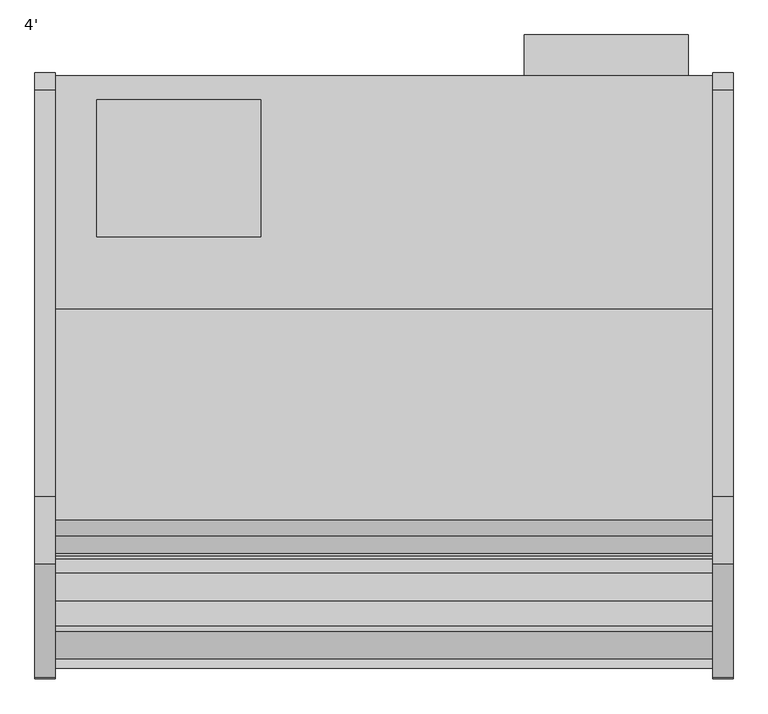
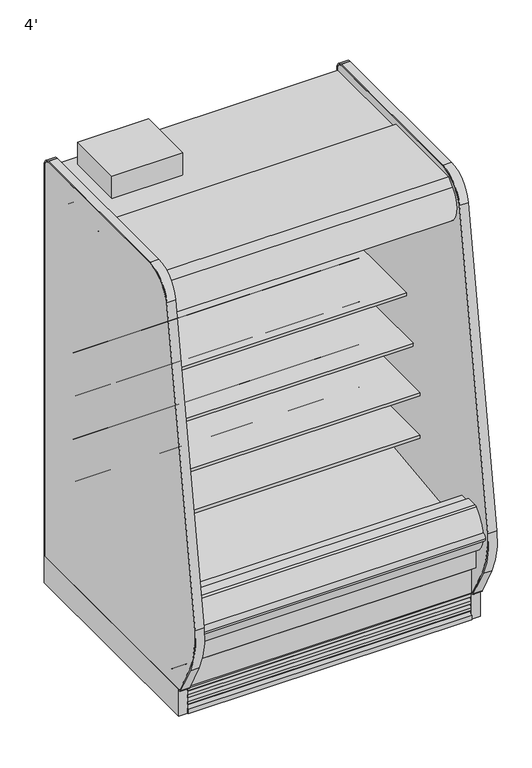
"""IFC4 building model written with IfcOpenShell, lengths in millimetres: proxy geometry, 4'."""

from ifc_helpers import new_model, si_unit, point, frame, frame_2d, origin, origin_with_axes, place, context, project, spatial, polyline, circle_curve, trimmed, segment, composite_curve, outline, extrude, faceted_brep, source, transform, mapped, element, save
from ifc_brep_helpers import plane_surface, revolved_surface, advanced_brep


def proxy_4_210bfad1(model_context):
    return source(origin(), model_context, "Body", "SolidModel", [
        extrude(outline(polyline([(1174.4493176, -325.3089273), (1174.4493176, -401.5089273), (869.9920708, -401.5089273), (869.9920708, -325.3089273), (1174.4493176, -325.3089273)])), frame((0.0, 0.0, 249.9360001), z_axis=(0.0, 0.0, 1.0), x_axis=(1.0, 0.0, 0.0)), (0.0, 0.0, 1.0), 1473.2),
        extrude(outline(polyline([(381.0, -445.9589273), (381.0, -699.9589273), (76.2, -699.9589273), (76.2, -445.9589273), (381.0, -445.9589273)])), frame((0.0, 0.0, 1887.6264001), z_axis=(0.0, 0.0, 1.0), x_axis=(1.0, 0.0, 0.0)), (0.0, 0.0, 1.0), 101.6),
        extrude(outline(composite_curve([segment(trimmed(circle_curve(frame_2d((971.5390223, -973.0089273)), 9.525), [point((962.0140223, -973.0089273))], [point((981.0640223, -973.0089273))], False, "CARTESIAN"), True, "CONTINUOUS"), segment(trimmed(circle_curve(frame_2d((971.5390223, -973.0089273)), 9.525), [point((981.0640223, -973.0089273))], [point((962.0140223, -973.0089273))], False, "CARTESIAN"), True, "CONTINUOUS")], self_intersect=False)), frame((0.0, 0.0, 66.7090149), z_axis=(0.0, 0.0, 1.0), x_axis=(1.0, 0.0, 0.0)), (0.0, 0.0, 1.0), 57.1159851),
        extrude(outline(composite_curve([segment(trimmed(circle_curve(frame_2d((1022.3609777, -973.0089273)), 12.7), [point((1009.6609777, -973.0089273))], [point((1035.0609777, -973.0089273))], False, "CARTESIAN"), True, "CONTINUOUS"), segment(trimmed(circle_curve(frame_2d((1022.3609777, -973.0089273)), 12.7), [point((1035.0609777, -973.0089273))], [point((1009.6609777, -973.0089273))], False, "CARTESIAN"), True, "CONTINUOUS")], self_intersect=False)), frame((0.0, 0.0, 66.7090149), z_axis=(0.0, 0.0, 1.0), x_axis=(1.0, 0.0, 0.0)), (0.0, 0.0, 1.0), 57.1159851),
        extrude(outline(polyline([(-755.1545651, 1783.4415628), (-755.1545651, 1781.6658555), (-767.0608151, 1781.6658555), (-802.7795651, 1757.8533555), (-802.7795651, 1781.6658555), (-823.4170651, 1781.6658555), (-823.4170651, 1723.0879735), (-820.1404345, 1706.9586386), (-821.6961576, 1706.6425977), (-825.0045651, 1722.9283555), (-825.0045651, 1783.4415628), (-755.1545651, 1783.4415628)])), frame((0.0, 0.0, 0.0), z_axis=(1.0, 0.0, 0.0), x_axis=(0.0, 1.0, 0.0)), (0.0, 0.0, 1.0), 1219.2),
        extrude(outline(composite_curve([segment(trimmed(circle_curve(frame_2d((-775.117495, 1753.94528)), 14.2875), [point((-789.404995, 1753.94528))], [point((-760.829995, 1753.94528))], False, "CARTESIAN"), True, "CONTINUOUS"), segment(trimmed(circle_curve(frame_2d((-775.117495, 1753.94528)), 14.2875), [point((-760.829995, 1753.94528))], [point((-789.404995, 1753.94528))], False, "CARTESIAN"), True, "CONTINUOUS")], self_intersect=False)), frame((0.0, 0.0, 0.0), z_axis=(1.0, 0.0, 0.0), x_axis=(0.0, 1.0, 0.0)), (0.0, 0.0, 1.0), 1219.2),
        extrude(outline(composite_curve([segment(polyline([(-504.9331995, 1188.9777893), (-504.9331995, 1113.876763), (-528.313746, 1113.876763)]), True, "CONTINUOUS"), segment(trimmed(circle_curve(frame_2d((-528.7455821, 1139.2730918)), 25.4), [point((-528.313746, 1113.876763))], [point((-544.7229383, 1119.5276091))], False, "CARTESIAN"), True, "CONTINUOUS"), segment(polyline([(-544.7229383, 1119.5276091), (-562.5749995, 1133.9728746)]), True, "CONTINUOUS"), segment(trimmed(circle_curve(frame_2d((-602.5183901, 1084.6091679)), 63.5), [point((-562.5749995, 1133.9728746))], [point((-594.6205089, 1147.6160998))], True, "CARTESIAN"), True, "CONTINUOUS"), segment(polyline([(-594.6205089, 1147.6160998), (-869.1842482, 1171.3132372), (-870.6730247, 1174.7537893), (-911.2738035, 1174.7537893), (-911.2738035, 1188.9777893), (-504.9331995, 1188.9777893)]), True, "CONTINUOUS")], self_intersect=False)), frame((0.0, 0.0, 0.0), z_axis=(1.0, 0.0, 0.0), x_axis=(0.0, 1.0, 0.0)), (0.0, 0.0, 1.0), 1219.2),
        extrude(outline(composite_curve([segment(polyline([(-504.9331995, 990.7659479), (-504.9331995, 915.6649215), (-528.313746, 915.6649215)]), True, "CONTINUOUS"), segment(trimmed(circle_curve(frame_2d((-528.7455821, 941.0612503)), 25.4), [point((-528.313746, 915.6649215))], [point((-544.7229383, 921.3157676))], False, "CARTESIAN"), True, "CONTINUOUS"), segment(polyline([(-544.7229383, 921.3157676), (-562.5749995, 935.7610332)]), True, "CONTINUOUS"), segment(trimmed(circle_curve(frame_2d((-602.5183901, 886.3973264)), 63.5), [point((-562.5749995, 935.7610332))], [point((-594.6205089, 949.4042583))], True, "CARTESIAN"), True, "CONTINUOUS"), segment(polyline([(-594.6205089, 949.4042583), (-869.1842482, 973.1013958), (-870.6730247, 976.5419479), (-962.1331995, 976.5419479), (-962.1331995, 990.7659479), (-504.9331995, 990.7659479)]), True, "CONTINUOUS")], self_intersect=False)), frame((0.0, 0.0, 0.0), z_axis=(1.0, 0.0, 0.0), x_axis=(0.0, 1.0, 0.0)), (0.0, 0.0, 1.0), 1219.2),
        extrude(outline(composite_curve([segment(trimmed(circle_curve(frame_2d((-1161.4667676, 1760.0428978)), 14.2875), [point((-1175.7542676, 1760.0428978))], [point((-1147.1792676, 1760.0428978))], False, "CARTESIAN"), True, "CONTINUOUS"), segment(trimmed(circle_curve(frame_2d((-1161.4667676, 1760.0428978)), 14.2875), [point((-1147.1792676, 1760.0428978))], [point((-1175.7542676, 1760.0428978))], False, "CARTESIAN"), True, "CONTINUOUS")], self_intersect=False)), frame((0.0, 0.0, 0.0), z_axis=(1.0, 0.0, 0.0), x_axis=(0.0, 1.0, 0.0)), (0.0, 0.0, 1.0), 1219.2),
        extrude(outline(composite_curve([segment(trimmed(circle_curve(frame_2d((-1206.5480128, 1760.5691153)), 14.2875), [point((-1220.8355128, 1760.5691153))], [point((-1192.2605128, 1760.5691153))], False, "CARTESIAN"), True, "CONTINUOUS"), segment(trimmed(circle_curve(frame_2d((-1206.5480128, 1760.5691153)), 14.2875), [point((-1192.2605128, 1760.5691153))], [point((-1220.8355128, 1760.5691153))], False, "CARTESIAN"), True, "CONTINUOUS")], self_intersect=False)), frame((0.0, 0.0, 0.0), z_axis=(1.0, 0.0, 0.0), x_axis=(0.0, 1.0, 0.0)), (0.0, 0.0, 1.0), 1219.2),
        extrude(outline(polyline([(744.7751963, -1346.7911816), (435.3523963, -1346.7911816), (435.3523963, -1249.5865659), (744.7751963, -1249.5865659), (744.7751963, -1346.7911816)])), frame((0.0, 0.0, 53.2186364), z_axis=(0.0, 0.0, 1.0), x_axis=(1.0, 0.0, 0.0)), (0.0, 0.0, 1.0), 9.8914),
        faceted_brep([(1219.2, -1207.9589273, 130.175), (1219.2, -1275.0830824, 130.175), (1219.2, -1376.2139578, 211.8249999), (1219.2, -1376.2139578, 10.9768116), (1219.2, -1207.9589273, 10.9768116), (0.0, -1207.9589273, 130.175), (0.0, -1207.9589273, 10.9768116), (0.0, -1376.2139578, 10.9768116), (0.0, -1376.2139578, 211.8249999), (0.0, -1275.0830824, 130.175), (744.7751963, -1346.7911816, 10.9768116), (744.7751963, -1249.5865659, 10.9768116), (435.3523963, -1249.5865659, 10.9768116), (435.3523963, -1346.7911816, 10.9768116), (744.7751963, -1346.7911816, 63.1100364), (435.3523963, -1346.7911816, 63.1100364), (435.3523963, -1249.5865659, 63.1100364), (744.7751963, -1249.5865659, 63.1100364)], [[[0, 1, 2, 3, 4]], [[5, 6, 7, 8, 9]], [[1, 0, 5, 9]], [[2, 1, 9, 8]], [[3, 2, 8, 7]], [[4, 3, 7, 6], [10, 11, 12, 13]], [[0, 4, 6, 5]], [[14, 15, 16, 17]], [[14, 17, 11, 10]], [[17, 16, 12, 11]], [[16, 15, 13, 12]], [[15, 14, 10, 13]]]),
        extrude(outline(composite_curve([segment(trimmed(circle_curve(frame_2d((368.3, 1139.6090336)), 12.7), [point((368.3, 1152.3090336))], [point((368.3, 1126.9090336))], False, "CARTESIAN"), True, "CONTINUOUS"), segment(trimmed(circle_curve(frame_2d((368.3, 1139.6090336)), 12.7), [point((368.3, 1126.9090336))], [point((368.3, 1152.3090336))], False, "CARTESIAN"), True, "CONTINUOUS")], self_intersect=False)), frame((0.0, -447.5561252, 0.0), z_axis=(0.0, 1.0, 0.0), x_axis=(0.0, 0.0, 1.0)), (0.0, 0.0, 1.0), 52.3971979),
        extrude(outline(composite_curve([segment(trimmed(circle_curve(frame_2d((368.3, 1101.1972115)), 9.525), [point((368.3, 1110.7222115))], [point((368.3, 1091.6722115))], False, "CARTESIAN"), True, "CONTINUOUS"), segment(trimmed(circle_curve(frame_2d((368.3, 1101.1972115)), 9.525), [point((368.3, 1091.6722115))], [point((368.3, 1110.7222115))], False, "CARTESIAN"), True, "CONTINUOUS")], self_intersect=False)), frame((0.0, -447.5561252, 0.0), z_axis=(0.0, 1.0, 0.0), x_axis=(0.0, 0.0, 1.0)), (0.0, 0.0, 1.0), 52.3971979),
        extrude(outline(composite_curve([segment(polyline([(-451.7851762, 1837.4360001), (-451.7851762, 404.745884), (-504.9331995, 404.745884), (-504.9331995, 1758.0415628)]), True, "CONTINUOUS"), segment(trimmed(circle_curve(frame_2d((-530.3331995, 1758.0415628)), 25.4), [point((-504.9331995, 1758.0415628))], [point((-530.3331995, 1783.4415628))], True, "CARTESIAN"), True, "CONTINUOUS"), segment(polyline([(-530.3331995, 1783.4415628), (-996.5139611, 1783.4415628), (-996.5139611, 1776.8817932), (-1098.1139599, 1776.8817932), (-1098.1139599, 1837.4360001), (-451.7851762, 1837.4360001)]), True, "CONTINUOUS")], self_intersect=False)), frame((0.0, 0.0, 0.0), z_axis=(1.0, 0.0, 0.0), x_axis=(0.0, 1.0, 0.0)), (0.0, 0.0, 1.0), 1219.2),
        advanced_brep(
        [(1219.2, -1428.7889874, 391.24255), (1219.2, -1428.7889874, 254.2724833), (1219.2, -1275.0830824, 130.175), (1219.2, -401.5089273, 130.175), (1219.2, -401.5089273, 1887.6264001), (1219.2, -1139.2416873, 1887.6264001), (1219.2, -1139.2416873, 1837.4360001), (1219.2, -451.7851762, 1837.4360001), (1219.2, -451.7851762, 363.9695251), (1219.2, -599.5014929, 211.662363), (1219.2, -1043.5931205, 195.6779213), (1219.2, -1096.7050237, 157.095884), (1219.2, -1163.5210307, 157.095884), (1219.2, -1221.5656168, 189.2720563), (1219.2, -1379.2843872, 341.5792153), (1219.2, -1379.2843872, 391.24255), (0.0, -1428.7889874, 391.24255), (0.0, -1379.2843872, 391.24255), (0.0, -1379.2843872, 341.5792153), (0.0, -1221.5656168, 189.2720563), (0.0, -1163.5210307, 157.095884), (0.0, -1096.7050237, 157.095884), (0.0, -1043.5931205, 195.6779213), (0.0, -599.5014929, 211.662363), (0.0, -451.7851762, 363.9695251), (0.0, -451.7851762, 1837.4360001), (0.0, -1139.2416873, 1837.4360001), (0.0, -1139.2416873, 1887.6264001), (0.0, -401.5089273, 1887.6264001), (0.0, -401.5089273, 130.175), (0.0, -1275.0830824, 130.175), (0.0, -1428.7889874, 254.2724833), (1117.6, -401.5089273, 317.5), (1117.6, -401.5089273, 419.1), (1117.6, -447.5561252, 317.5), (1117.6, -447.5561252, 419.1)],
        [
            (0, 1),
            (1, 2),
            (2, 3),
            (3, 4),
            (4, 5),
            (5, 6),
            (6, 7),
            (7, 8),
            (8, 9, circle_curve(frame((1219.2, -605.0132276, 364.7934683), z_axis=(-1.0, 0.0, 0.0), x_axis=(0.0, 1.0, 0.0)), 153.2302667)),
            (9, 10),
            (10, 11),
            (11, 12),
            (12, 13),
            (13, 14, circle_curve(frame((1219.2, -1226.8843872, 341.5792153), z_axis=(-1.0, 0.0, 0.0), x_axis=(0.0, 1.0, 0.0)), 152.4)),
            (14, 15),
            (15, 0),
            (16, 17),
            (17, 18),
            (18, 19, circle_curve(frame((0.0, -1226.8843872, 341.5792153), z_axis=(1.0, 0.0, 0.0), x_axis=(0.0, 1.0, 0.0)), 152.4)),
            (19, 20),
            (20, 21),
            (21, 22),
            (22, 23),
            (23, 24, circle_curve(frame((0.0, -605.0132276, 364.7934683), z_axis=(1.0, 0.0, 0.0), x_axis=(0.0, 1.0, 0.0)), 153.2302667)),
            (24, 25),
            (25, 26),
            (26, 27),
            (27, 28),
            (28, 29),
            (29, 30),
            (30, 31),
            (31, 16),
            (0, 16),
            (31, 1),
            (30, 2),
            (29, 3),
            (28, 4),
            (32, 33, circle_curve(frame((1117.6, -401.5089273, 368.3), z_axis=(0.0, -1.0, 0.0), x_axis=(0.0, 0.0, 1.0)), 50.8)),
            (33, 32, circle_curve(frame((1117.6, -401.5089273, 368.3), z_axis=(0.0, -1.0, 0.0), x_axis=(0.0, 0.0, 1.0)), 50.8)),
            (27, 5),
            (26, 6),
            (25, 7),
            (24, 8),
            (23, 9),
            (22, 10),
            (21, 11),
            (20, 12),
            (19, 13),
            (18, 14),
            (17, 15),
            (34, 35, circle_curve(frame((1117.6, -447.5561252, 368.3), z_axis=(0.0, 1.0, 0.0), x_axis=(0.0, 0.0, 1.0)), 50.8)),
            (35, 34, circle_curve(frame((1117.6, -447.5561252, 368.3), z_axis=(0.0, 1.0, 0.0), x_axis=(0.0, 0.0, 1.0)), 50.8)),
            (35, 33),
            (32, 34),
        ],
        [
            plane_surface(frame((1219.2, -1428.7889874, 254.2724833), z_axis=(1.0, 0.0, 0.0), x_axis=(0.0, 0.0, -1.0))),
            plane_surface(frame((0.0, -1428.7889874, 254.2724833), z_axis=(-1.0, 0.0, 0.0), x_axis=(0.0, 0.0, 1.0))),
            plane_surface(frame((1219.2, -1428.7889874, 391.24255), z_axis=(0.0, -1.0, 0.0), x_axis=(-1.0, 0.0, 0.0))),
            plane_surface(frame((1219.2, -1428.7889874, 254.2724833), z_axis=(0.0, -0.6281851642637378, -0.7780638787393622), x_axis=(-1.0, 0.0, 0.0))),
            plane_surface(frame((1219.2, -1275.0830824, 130.175), z_axis=(0.0, 0.0, -1.0), x_axis=(-1.0, 0.0, 0.0))),
            plane_surface(frame((1219.2, -401.5089273, 130.175), z_axis=(0.0, 1.0, 0.0), x_axis=(-1.0, 0.0, 0.0))),
            plane_surface(frame((1219.2, -401.5089273, 1887.6264001), z_axis=(0.0, 0.0, 1.0), x_axis=(-1.0, 0.0, 0.0))),
            plane_surface(frame((1219.2, -1139.2416873, 1887.6264001), z_axis=(0.0, -1.0, 0.0), x_axis=(-1.0, 0.0, 0.0))),
            plane_surface(frame((1219.2, -1139.2416873, 1837.4360001), z_axis=(0.0, 0.0, -1.0), x_axis=(-1.0, 0.0, 0.0))),
            plane_surface(frame((1219.2, -451.7851762, 1837.4360001), z_axis=(0.0, -1.0, 0.0), x_axis=(-1.0, 0.0, 0.0))),
            revolved_surface(polyline([(0.0, -451.78296090000003, 364.7934683), (1219.2, -451.78296090000003, 364.7934683)]), (0.0, -605.0132276, 364.7934683), (-1.0, 0.0, 0.0)),
            plane_surface(frame((1219.2, -599.5014929, 211.662363), z_axis=(0.0, -0.035970274152171335, 0.9993528602938092), x_axis=(-1.0, 0.0, 0.0))),
            plane_surface(frame((1219.2, -1043.5931205, 195.6779213), z_axis=(0.0, -0.5877252382160976, 0.8090605937529224), x_axis=(-1.0, 0.0, 0.0))),
            plane_surface(frame((1219.2, -1096.7050237, 157.095884), z_axis=(0.0, 0.0, 1.0), x_axis=(-1.0, 0.0, 0.0))),
            plane_surface(frame((1219.2, -1163.5210307, 157.095884), z_axis=(0.0, 0.48482728759131516, 0.8746099137368889), x_axis=(-1.0, 0.0, 0.0))),
            revolved_surface(polyline([(0.0, -1074.4843872, 341.5792153), (1219.2, -1074.4843872, 341.5792153)]), (0.0, -1226.8843872, 341.5792153), (-1.0, 0.0, 0.0)),
            plane_surface(frame((1219.2, -1379.2843872, 341.5792153), z_axis=(0.0, 1.0, 0.0), x_axis=(-1.0, 0.0, 0.0))),
            plane_surface(frame((1219.2, -1379.2843872, 391.24255), z_axis=(0.0, 0.0, 1.0), x_axis=(-1.0, 0.0, 0.0))),
            plane_surface(frame((1117.6, -447.5561252, 419.1), z_axis=(0.0, 1.0, 0.0), x_axis=(-1.0, 0.0, 0.0))),
            revolved_surface(polyline([(1117.6, -447.5561252, 419.1), (1117.6, -401.5089273, 419.1)]), (1117.6, -401.5089273, 368.3), (0.0, -1.0, 0.0)),
        ],
        [
            (0, [[1, 2, 3, 4, 5, 6, 7, 8, 9, 10, 11, 12, 13, 14, 15, 16]]),
            (1, [[17, 18, 19, 20, 21, 22, 23, 24, 25, 26, 27, 28, 29, 30, 31, 32]]),
            (2, [[-1, 33, -32, 34]]),
            (3, [[-2, -34, -31, 35]]),
            (4, [[-3, -35, -30, 36]]),
            (5, [[-4, -36, -29, 37], [38, 39]]),
            (6, [[-5, -37, -28, 40]]),
            (7, [[-6, -40, -27, 41]]),
            (8, [[-7, -41, -26, 42]]),
            (9, [[-8, -42, -25, 43]]),
            (10, [[-9, -43, -24, 44]]),
            (11, [[-10, -44, -23, 45]]),
            (12, [[-11, -45, -22, 46]]),
            (13, [[-12, -46, -21, 47]]),
            (14, [[-13, -47, -20, 48]]),
            (15, [[-14, -48, -19, 49]]),
            (16, [[-15, -49, -18, 50]]),
            (17, [[-16, -50, -17, -33]]),
            (18, [[51, 52]]),
            (19, [[-52, 53, -38, 54]]),
            (19, [[-51, -54, -39, -53]]),
        ],
    ),
        extrude(outline(composite_curve([segment(polyline([(-1324.3309113, 373.0751999), (-1297.0132113, 373.0751999), (-1291.5716401, 375.0168392), (-610.6406734, 456.5929299), (-610.1926758, 450.1862651), (-516.7472923, 456.7206028)]), True, "CONTINUOUS"), segment(trimmed(circle_curve(frame_2d((-517.6331995, 469.3896663)), 12.7), [point((-516.7472923, 456.7206028))], [point((-504.9331995, 469.3896663))], True, "CARTESIAN"), True, "CONTINUOUS"), segment(polyline([(-504.9331995, 469.3896663), (-504.9331995, 404.745884), (-451.7851762, 404.745884), (-451.7851762, 363.9695251)]), True, "CONTINUOUS"), segment(trimmed(circle_curve(frame_2d((-605.0132276, 364.7934683)), 153.2302667), [point((-451.7851762, 363.9695251))], [point((-599.5014929, 211.662363))], False, "CARTESIAN"), True, "CONTINUOUS"), segment(polyline([(-599.5014929, 211.662363), (-1043.5931205, 195.6779213), (-1096.7050237, 157.095884), (-1163.5210307, 157.095884), (-1221.5656168, 189.2720563)]), True, "CONTINUOUS"), segment(trimmed(circle_curve(frame_2d((-1226.8843872, 341.5792153)), 152.4), [point((-1221.5656168, 189.2720563))], [point((-1379.2843872, 341.5792153))], False, "CARTESIAN"), True, "CONTINUOUS"), segment(polyline([(-1379.2843872, 341.5792153), (-1379.2843872, 521.2079999), (-1324.3309113, 521.2079999), (-1324.3309113, 373.0751999)]), True, "CONTINUOUS")], self_intersect=False)), frame((0.0, 0.0, 0.0), z_axis=(1.0, 0.0, 0.0), x_axis=(0.0, 1.0, 0.0)), (0.0, 0.0, 1.0), 1219.2),
        extrude(outline(composite_curve([segment(trimmed(circle_curve(frame_2d((914.4, -1128.5839273)), 38.1), [point((876.3, -1128.5839273))], [point((952.5, -1128.5839273))], False, "CARTESIAN"), True, "CONTINUOUS"), segment(trimmed(circle_curve(frame_2d((914.4, -1128.5839273)), 38.1), [point((952.5, -1128.5839273))], [point((876.3, -1128.5839273))], False, "CARTESIAN"), True, "CONTINUOUS")], self_intersect=False)), frame((0.0, 0.0, 66.7090149), z_axis=(0.0, 0.0, 1.0), x_axis=(1.0, 0.0, 0.0)), (0.0, 0.0, 1.0), 57.1159851),
        advanced_brep(
        [(1219.2, -401.5089273, 0.0), (1219.2, -401.5089273, 130.175), (1219.2, -1207.9589273, 130.175), (1219.2, -1207.9589273, 0.0), (1219.2, -1161.1594273, 0.0), (1219.2, -1161.1594273, 74.8810382), (1219.2, -446.7209273, 74.8810382), (1219.2, -446.7209273, 0.0), (0.0, -401.5089273, 0.0), (0.0, -446.7209273, 0.0), (0.0, -446.7209273, 74.8810382), (0.0, -1161.1594273, 74.8810382), (0.0, -1161.1594273, 0.0), (0.0, -1207.9589273, 0.0), (0.0, -1207.9589273, 130.175), (0.0, -401.5089273, 130.175), (875.4195331, -1161.1594273, 0.0), (953.3804669, -1161.1594273, 0.0), (953.3804669, -1161.1594273, 74.8810382), (875.4195331, -1161.1594273, 74.8810382), (965.2, -1128.5839273, 74.8810382), (863.6, -1128.5839273, 74.8810382), (946.15, -973.0089273, 74.8810382), (1047.75, -973.0089273, 74.8810382), (863.6, -1128.5839273, 123.825), (965.2, -1128.5839273, 123.825), (946.15, -973.0089273, 123.825), (1047.75, -973.0089273, 123.825)],
        [
            (0, 1),
            (1, 2),
            (2, 3),
            (3, 4),
            (4, 5),
            (5, 6),
            (6, 7),
            (7, 0),
            (8, 9),
            (9, 10),
            (10, 11),
            (11, 12),
            (12, 13),
            (13, 14),
            (14, 15),
            (15, 8),
            (0, 8),
            (15, 1),
            (14, 2),
            (13, 3),
            (12, 16),
            (16, 17, circle_curve(frame((914.4, -1128.5839273, 0.0), z_axis=(0.0, 0.0, 1.0), x_axis=(1.0, 0.0, 0.0)), 50.8)),
            (17, 4),
            (17, 18),
            (18, 5),
            (11, 19),
            (19, 16),
            (18, 20, circle_curve(frame((914.4, -1128.5839273, 74.8810382), z_axis=(0.0, 0.0, 1.0), x_axis=(1.0, 0.0, 0.0)), 50.8)),
            (20, 21, circle_curve(frame((914.4, -1128.5839273, 74.8810382), z_axis=(0.0, 0.0, 1.0), x_axis=(1.0, 0.0, 0.0)), 50.8)),
            (21, 19, circle_curve(frame((914.4, -1128.5839273, 74.8810382), z_axis=(0.0, 0.0, 1.0), x_axis=(1.0, 0.0, 0.0)), 50.8)),
            (10, 6),
            (22, 23, circle_curve(frame((996.95, -973.0089273, 74.8810382), z_axis=(0.0, 0.0, 1.0), x_axis=(1.0, 0.0, 0.0)), 50.8)),
            (23, 22, circle_curve(frame((996.95, -973.0089273, 74.8810382), z_axis=(0.0, 0.0, 1.0), x_axis=(1.0, 0.0, 0.0)), 50.8)),
            (9, 7),
            (24, 25, circle_curve(frame((914.4, -1128.5839273, 123.825), z_axis=(0.0, 0.0, -1.0), x_axis=(1.0, 0.0, 0.0)), 50.8)),
            (25, 24, circle_curve(frame((914.4, -1128.5839273, 123.825), z_axis=(0.0, 0.0, -1.0), x_axis=(1.0, 0.0, 0.0)), 50.8)),
            (25, 20),
            (21, 24),
            (26, 27, circle_curve(frame((996.95, -973.0089273, 123.825), z_axis=(0.0, 0.0, -1.0), x_axis=(1.0, 0.0, 0.0)), 50.8)),
            (27, 26, circle_curve(frame((996.95, -973.0089273, 123.825), z_axis=(0.0, 0.0, -1.0), x_axis=(1.0, 0.0, 0.0)), 50.8)),
            (27, 23),
            (22, 26),
        ],
        [
            plane_surface(frame((1219.2, -401.5089273, 1893.5715584), z_axis=(1.0, 0.0, 0.0), x_axis=(0.0, 0.0, 1.0))),
            plane_surface(frame((0.0, -401.5089273, 1893.5715584), z_axis=(-1.0, 0.0, 0.0), x_axis=(0.0, 0.0, -1.0))),
            plane_surface(frame((1219.2, -401.5089273, 0.0), z_axis=(0.0, 1.0, 0.0), x_axis=(-1.0, 0.0, 0.0))),
            plane_surface(frame((1219.2, -401.5089273, 130.175), z_axis=(0.0, 0.0, 1.0), x_axis=(-1.0, 0.0, 0.0))),
            plane_surface(frame((1219.2, -1207.9589273, 130.175), z_axis=(0.0, -1.0, 0.0), x_axis=(-1.0, 0.0, 0.0))),
            plane_surface(frame((1219.2, -1207.9589273, 0.0), z_axis=(0.0, 0.0, -1.0), x_axis=(-1.0, 0.0, 0.0))),
            plane_surface(frame((1219.2, -1161.1594273, 0.0), z_axis=(0.0, 1.0, 0.0), x_axis=(-1.0, 0.0, 0.0))),
            plane_surface(frame((1219.2, -1161.1594273, 74.8810382), z_axis=(0.0, 0.0, -1.0), x_axis=(-1.0, 0.0, 0.0))),
            plane_surface(frame((1219.2, -446.7209273, 74.8810382), z_axis=(0.0, -1.0, 0.0), x_axis=(-1.0, 0.0, 0.0))),
            plane_surface(frame((1219.2, -446.7209273, 0.0), z_axis=(0.0, 0.0, -1.0), x_axis=(-1.0, 0.0, 0.0))),
            plane_surface(frame((965.2, -1128.5839273, 123.825), z_axis=(0.0, 0.0, -1.0), x_axis=(0.0, 1.0, 0.0))),
            revolved_surface(polyline([(965.1999999999999, -1128.5839273, 123.825), (965.1999999999999, -1128.5839273, 0.0)]), (914.4, -1128.5839273, 0.0), (0.0, 0.0, 1.0)),
            revolved_surface(polyline([(965.1999999999999, -1128.5839273, 123.825), (965.1999999999999, -1128.5839273, 74.8810382)]), (914.4, -1128.5839273, 0.0), (0.0, 0.0, 1.0)),
            plane_surface(frame((1047.75, -973.0089273, 123.825), z_axis=(0.0, 0.0, -1.0), x_axis=(0.0, 1.0, 0.0))),
            revolved_surface(polyline([(1047.75, -973.0089273, 123.825), (1047.75, -973.0089273, 74.8810382)]), (996.95, -973.0089273, 0.0), (0.0, 0.0, 1.0)),
        ],
        [
            (0, [[1, 2, 3, 4, 5, 6, 7, 8]]),
            (1, [[9, 10, 11, 12, 13, 14, 15, 16]]),
            (2, [[-1, 17, -16, 18]]),
            (3, [[-2, -18, -15, 19]]),
            (4, [[-3, -19, -14, 20]]),
            (5, [[-4, -20, -13, 21, 22, 23]]),
            (6, [[-5, -23, 24, 25]]),
            (6, [[-12, 26, 27, -21]]),
            (7, [[-6, -25, 28, 29, 30, -26, -11, 31], [32, 33]]),
            (8, [[-7, -31, -10, 34]]),
            (9, [[-8, -34, -9, -17]]),
            (10, [[35, 36]]),
            (11, [[-36, 37, -28, -24, -22, -27, -30, 38]]),
            (12, [[-35, -38, -29, -37]]),
            (13, [[39, 40]]),
            (14, [[-40, 41, -32, 42]]),
            (14, [[-39, -42, -33, -41]]),
        ],
    ),
        extrude(outline(polyline([(1219.2, -996.5139611), (1219.2, -1098.1139599), (0.0, -1098.1139599), (0.0, -996.5139611), (1219.2, -996.5139611)])), frame((0.0, 0.0, 1751.481792), z_axis=(0.0, 0.0, 1.0), x_axis=(1.0, 0.0, 0.0)), (0.0, 0.0, 1.0), 25.4000011),
        extrude(outline(composite_curve([segment(polyline([(-834.1197918, 1887.6264001), (-1139.2416873, 1887.6264001), (-1139.2416873, 1837.4360001), (-1098.1139599, 1837.4360001), (-1098.1139599, 1751.481792), (-1102.0441706, 1751.481792), (-1145.2982964, 1778.3902586), (-1229.1846298, 1778.3902586), (-1234.6028577, 1749.0156271), (-1242.6978272, 1742.4581239), (-1244.4566599, 1736.6057625), (-1247.8744356, 1731.2734097)]), True, "CONTINUOUS"), segment(trimmed(circle_curve(frame_2d((-1254.9813118, 1735.8285676)), 8.4413951), [point((-1247.8744356, 1731.2734097))], [point((-1261.3923737, 1730.337171))], False, "CARTESIAN"), True, "CONTINUOUS"), segment(trimmed(circle_curve(frame_2d((-1181.3177231, 1798.9251311)), 105.4336661), [point((-1261.3923737, 1730.337171))], [point((-1254.3783459, 1874.9409409))], False, "CARTESIAN"), True, "CONTINUOUS"), segment(trimmed(circle_curve(frame_2d((-1689.0901415, 2329.2650658)), 628.7962752), [point((-1254.3783459, 1874.9409409))], [point((-1224.995421, 1905.0))], True, "CARTESIAN"), True, "CONTINUOUS"), segment(polyline([(-1224.995421, 1905.0), (-834.1197918, 1905.0), (-834.1197918, 1887.6264001)]), True, "CONTINUOUS")], self_intersect=False)), frame((0.0, 0.0, 0.0), z_axis=(1.0, 0.0, 0.0), x_axis=(0.0, 1.0, 0.0)), (0.0, 0.0, 1.0), 1219.2),
        extrude(outline(polyline([(-524.5538195, 1504.4404382), (-699.0292362, 1749.045951), (-692.6360518, 1751.0180598), (-519.384186, 1508.127902), (-524.5538195, 1504.4404382)])), frame((0.0, 0.0, 0.0), z_axis=(1.0, 0.0, 0.0), x_axis=(0.0, 1.0, 0.0)), (0.0, 0.0, 1.0), 1219.2),
        extrude(outline(composite_curve([segment(polyline([(-504.9331995, 1528.8244166), (-504.9331995, 1490.7251669)]), True, "CONTINUOUS"), segment(trimmed(circle_curve(frame_2d((-507.7906995, 1490.7251669)), 2.8575), [point((-504.9331995, 1490.7251669))], [point((-506.6741853, 1488.0948242))], False, "CARTESIAN"), True, "CONTINUOUS"), segment(polyline([(-506.6741853, 1488.0948242), (-515.7704668, 1484.2336819)]), True, "CONTINUOUS"), segment(trimmed(circle_curve(frame_2d((-516.8869809, 1486.8640245)), 2.8575), [point((-515.7704668, 1484.2336819))], [point((-519.4330321, 1485.5667466))], False, "CARTESIAN"), True, "CONTINUOUS"), segment(polyline([(-519.4330321, 1485.5667466), (-527.3608411, 1501.125948)]), True, "CONTINUOUS"), segment(trimmed(circle_curve(frame_2d((-526.2292629, 1501.7025159)), 1.27), [point((-527.3608411, 1501.125948))], [point((-526.8058308, 1502.8340942))], False, "CARTESIAN"), True, "CONTINUOUS"), segment(polyline([(-526.8058308, 1502.8340942), (-519.384186, 1508.127902), (-507.5996446, 1491.6065843), (-506.2031995, 1490.7251669), (-506.2031995, 1528.8244166), (-504.9331995, 1528.8244166)]), True, "CONTINUOUS")], self_intersect=False)), frame((0.0, 0.0, 0.0), z_axis=(1.0, 0.0, 0.0), x_axis=(0.0, 1.0, 0.0)), (0.0, 0.0, 1.0), 1219.2),
        extrude(outline(composite_curve([segment(polyline([(-697.0188534, 1757.162521), (-692.6360518, 1751.0180598), (-701.6311946, 1748.2433237)]), True, "CONTINUOUS"), segment(trimmed(circle_curve(frame_2d((-702.2914708, 1750.3838079)), 2.2400083), [point((-701.6311946, 1748.2433237))], [point((-703.4764456, 1748.4828943))], False, "CARTESIAN"), True, "CONTINUOUS"), segment(polyline([(-703.4764456, 1748.4828943), (-727.5060675, 1782.1711818), (-743.3810675, 1782.1711818), (-743.3810675, 1783.4411818), (-727.5060675, 1783.4411818)]), True, "CONTINUOUS"), segment(trimmed(circle_curve(frame_2d((-727.5060675, 1782.1711818)), 1.27), [point((-727.5060675, 1783.4411818))], [point((-726.4721408, 1782.9086746))], False, "CARTESIAN"), True, "CONTINUOUS"), segment(polyline([(-726.4721408, 1782.9086746), (-714.3244423, 1765.8782294), (-704.636549, 1772.7885365)]), True, "CONTINUOUS"), segment(trimmed(circle_curve(frame_2d((-703.8990563, 1771.7546097)), 1.27), [point((-704.636549, 1772.7885365))], [point((-702.8651296, 1772.4921025))], False, "CARTESIAN"), True, "CONTINUOUS"), segment(polyline([(-702.8651296, 1772.4921025), (-693.6464701, 1759.5680186), (-697.0188534, 1757.162521)]), True, "CONTINUOUS")], self_intersect=False)), frame((0.0, 0.0, 0.0), z_axis=(1.0, 0.0, 0.0), x_axis=(0.0, 1.0, 0.0)), (0.0, 0.0, 1.0), 1219.2),
        extrude(outline(composite_curve([segment(polyline([(-504.9331995, 603.1377781), (-504.9331995, 528.0367518), (-528.313746, 528.0367518)]), True, "CONTINUOUS"), segment(trimmed(circle_curve(frame_2d((-528.7455821, 553.4330806)), 25.4), [point((-528.313746, 528.0367518))], [point((-544.7229383, 533.6875979))], False, "CARTESIAN"), True, "CONTINUOUS"), segment(polyline([(-544.7229383, 533.6875979), (-562.5749995, 548.1328634)]), True, "CONTINUOUS"), segment(trimmed(circle_curve(frame_2d((-602.5183901, 498.7691567)), 63.5), [point((-562.5749995, 548.1328634))], [point((-594.6205089, 561.7760886))], True, "CARTESIAN"), True, "CONTINUOUS"), segment(polyline([(-594.6205089, 561.7760886), (-869.1842482, 585.473226), (-870.6730247, 588.9137781), (-1012.9331995, 588.9137781), (-1012.9331995, 603.1377781), (-504.9331995, 603.1377781)]), True, "CONTINUOUS")], self_intersect=False)), frame((0.0, 0.0, 0.0), z_axis=(1.0, 0.0, 0.0), x_axis=(0.0, 1.0, 0.0)), (0.0, 0.0, 1.0), 1219.2),
        extrude(outline(composite_curve([segment(polyline([(-504.9331995, 796.951863), (-504.9331995, 721.8508366), (-528.313746, 721.8508366)]), True, "CONTINUOUS"), segment(trimmed(circle_curve(frame_2d((-528.7455821, 747.2471655)), 25.4), [point((-528.313746, 721.8508366))], [point((-544.7229383, 727.5016828))], False, "CARTESIAN"), True, "CONTINUOUS"), segment(polyline([(-544.7229383, 727.5016828), (-562.5749995, 741.9469483)]), True, "CONTINUOUS"), segment(trimmed(circle_curve(frame_2d((-602.5183901, 692.5832415)), 63.5), [point((-562.5749995, 741.9469483))], [point((-594.6205089, 755.5901735))], True, "CARTESIAN"), True, "CONTINUOUS"), segment(polyline([(-594.6205089, 755.5901735), (-869.1842482, 779.2873109), (-870.6730247, 782.727863), (-1012.9331995, 782.727863), (-1012.9331995, 796.951863), (-504.9331995, 796.951863)]), True, "CONTINUOUS")], self_intersect=False)), frame((0.0, 0.0, 0.0), z_axis=(1.0, 0.0, 0.0), x_axis=(0.0, 1.0, 0.0)), (0.0, 0.0, 1.0), 1219.2),
        extrude(outline(composite_curve([segment(trimmed(circle_curve(frame_2d((-1483.1743585, 428.625)), 17.2640772), [point((-1500.4384357, 428.625))], [point((-1465.9102813, 428.625))], False, "CARTESIAN"), True, "CONTINUOUS"), segment(trimmed(circle_curve(frame_2d((-1483.1743585, 428.625)), 17.2640772), [point((-1465.9102813, 428.625))], [point((-1500.4384357, 428.625))], False, "CARTESIAN"), True, "CONTINUOUS")], self_intersect=False)), frame((0.0, 0.0, 0.0), z_axis=(1.0, 0.0, 0.0), x_axis=(0.0, 1.0, 0.0)), (0.0, 0.0, 1.0), 1219.2),
        extrude(outline(composite_curve([segment(polyline([(-1375.5997913, 521.2079999), (-1379.2843872, 521.2079999), (-1379.2843872, 391.24255), (-1428.7889874, 391.24255), (-1428.7889874, 350.0194213), (-1453.2591168, 350.0194213)]), True, "CONTINUOUS"), segment(trimmed(circle_curve(frame_2d((-1358.032609, 434.0486555)), 126.9999999), [point((-1453.2591168, 350.0194213))], [point((-1482.9898477, 411.3619088))], False, "CARTESIAN"), True, "CONTINUOUS"), segment(trimmed(circle_curve(frame_2d((-1483.1743585, 428.625)), 17.2640772), [point((-1482.9898477, 411.3619088))], [point((-1465.9102813, 428.625))], True, "CARTESIAN"), True, "CONTINUOUS"), segment(trimmed(circle_curve(frame_2d((-1483.1743585, 428.625)), 17.2640772), [point((-1465.9102813, 428.625))], [point((-1483.4541442, 445.8868099))], True, "CARTESIAN"), True, "CONTINUOUS"), segment(trimmed(circle_curve(frame_2d((-1311.1712796, 402.089233)), 177.7628003), [point((-1483.4541442, 445.8868099))], [point((-1431.9539384, 532.5160803))], False, "CARTESIAN"), True, "CONTINUOUS"), segment(trimmed(circle_curve(frame_2d((-1421.0971419, 520.7923962)), 15.9785731), [point((-1431.9539384, 532.5160803))], [point((-1421.1927913, 536.770683))], False, "CARTESIAN"), True, "CONTINUOUS"), segment(polyline([(-1421.1927913, 536.770683), (-1375.5997913, 536.770683), (-1375.5997913, 521.2079999)]), True, "CONTINUOUS")], self_intersect=False)), frame((0.0, 0.0, 0.0), z_axis=(1.0, 0.0, 0.0), x_axis=(0.0, 1.0, 0.0)), (0.0, 0.0, 1.0), 1219.2),
        extrude(outline(composite_curve([segment(polyline([(-1398.4856252, 0.0), (-1398.4856252, 21.4794805)]), True, "CONTINUOUS"), segment(trimmed(circle_curve(frame_2d((-1397.9498016, 35.1748572)), 13.7058546), [point((-1398.4856252, 21.4794805))], [point((-1384.8678223, 31.0867934))], True, "CARTESIAN"), True, "CONTINUOUS"), segment(polyline([(-1384.8678223, 31.0867934), (-1381.3787252, 42.2520535), (-1392.0159205, 40.0942307), (-1394.0098205, 40.0942307), (-1394.0098205, 52.7942307)]), True, "CONTINUOUS"), segment(trimmed(circle_curve(frame_2d((-1398.4276882, 66.2963779)), 14.2065314), [point((-1394.0098205, 52.7942307))], [point((-1384.8678223, 62.0589765))], True, "CARTESIAN"), True, "CONTINUOUS"), segment(polyline([(-1384.8678223, 62.0589765), (-1381.3787252, 73.2242366), (-1392.0159205, 71.0664138), (-1394.0098205, 71.0664138), (-1394.0098205, 83.7664138)]), True, "CONTINUOUS"), segment(trimmed(circle_curve(frame_2d((-1398.5000636, 97.3399774)), 14.2969897), [point((-1394.0098205, 83.7664138))], [point((-1384.8678223, 93.0311596))], True, "CARTESIAN"), True, "CONTINUOUS"), segment(polyline([(-1384.8678223, 93.0311596), (-1381.3787252, 104.0699677), (-1392.0159205, 102.0387838), (-1394.0098205, 102.0387838), (-1394.0098205, 114.7387838)]), True, "CONTINUOUS"), segment(trimmed(circle_curve(frame_2d((-1393.4120559, 125.7034438)), 10.9809422), [point((-1394.0098205, 114.7387838))], [point((-1385.6263217, 117.9598377))], True, "CARTESIAN"), True, "CONTINUOUS"), segment(polyline([(-1385.6263217, 117.9598377), (-1385.6263217, 121.5911682), (-1396.0752794, 121.5911682), (-1396.0752794, 227.8604282), (-1376.2139578, 211.8249999), (-1376.2139578, 0.0), (-1398.4856252, 0.0)]), True, "CONTINUOUS")], self_intersect=False)), frame((0.0, 0.0, 0.0), z_axis=(1.0, 0.0, 0.0), x_axis=(0.0, 1.0, 0.0)), (0.0, 0.0, 1.0), 1219.2),
        extrude(outline(composite_curve([segment(polyline([(-401.5089273, 123.825), (-1398.1411098, 123.825)]), True, "CONTINUOUS"), segment(trimmed(circle_curve(frame_2d((-1398.1411098, 131.2778251)), 7.4528251), [point((-1398.1411098, 123.825))], [point((-1404.7404092, 127.8146114))], False, "CARTESIAN"), True, "CONTINUOUS"), segment(polyline([(-1404.7404092, 127.8146114), (-1476.0320497, 263.6638308)]), True, "CONTINUOUS"), segment(trimmed(circle_curve(frame_2d((-1178.0250273, 420.0534632)), 336.55), [point((-1476.0320497, 263.6638308))], [point((-1511.8709177, 462.6307339))], False, "CARTESIAN"), True, "CONTINUOUS"), segment(polyline([(-1511.8709177, 462.6307339), (-1300.2300649, 1822.743035)]), True, "CONTINUOUS"), segment(trimmed(circle_curve(frame_2d((-1181.014716, 1804.19248)), 120.65), [point((-1300.2300649, 1822.743035))], [point((-1181.014716, 1924.84248))], False, "CARTESIAN"), True, "CONTINUOUS"), segment(polyline([(-1181.014716, 1924.84248), (-426.9089273, 1924.84248)]), True, "CONTINUOUS"), segment(trimmed(circle_curve(frame_2d((-426.9089273, 1899.44248)), 25.4), [point((-426.9089273, 1924.84248))], [point((-401.5089273, 1899.44248))], False, "CARTESIAN"), True, "CONTINUOUS"), segment(polyline([(-401.5089273, 1899.44248), (-401.5089273, 123.825)]), True, "CONTINUOUS")], self_intersect=False)), frame((1219.2, 0.0, 0.0), z_axis=(1.0, 0.0, 0.0), x_axis=(0.0, 1.0, 0.0)), (0.0, 0.0, 1.0), 38.1),
        extrude(outline(composite_curve([segment(polyline([(-401.5089273, 123.825), (-401.5089273, 1899.44248)]), True, "CONTINUOUS"), segment(trimmed(circle_curve(frame_2d((-426.9089273, 1899.44248)), 25.4), [point((-401.5089273, 1899.44248))], [point((-426.9089273, 1924.84248))], True, "CARTESIAN"), True, "CONTINUOUS"), segment(polyline([(-426.9089273, 1924.84248), (-1181.014716, 1924.84248)]), True, "CONTINUOUS"), segment(trimmed(circle_curve(frame_2d((-1181.014716, 1804.19248)), 120.65), [point((-1181.014716, 1924.84248))], [point((-1300.2300649, 1822.743035))], True, "CARTESIAN"), True, "CONTINUOUS"), segment(polyline([(-1300.2300649, 1822.743035), (-1511.8709177, 462.6307339)]), True, "CONTINUOUS"), segment(trimmed(circle_curve(frame_2d((-1178.0250273, 420.0534632)), 336.55), [point((-1511.8709177, 462.6307339))], [point((-1476.0320497, 263.6638308))], True, "CARTESIAN"), True, "CONTINUOUS"), segment(polyline([(-1476.0320497, 263.6638308), (-1404.7404092, 127.8146114)]), True, "CONTINUOUS"), segment(trimmed(circle_curve(frame_2d((-1398.1411098, 131.2778251)), 7.4528251), [point((-1404.7404092, 127.8146114))], [point((-1398.1411098, 123.825))], True, "CARTESIAN"), True, "CONTINUOUS"), segment(polyline([(-1398.1411098, 123.825), (-1398.1411098, 117.475)]), True, "CONTINUOUS"), segment(trimmed(circle_curve(frame_2d((-1398.1411098, 131.2778251)), 13.8028251), [point((-1398.1411098, 117.475))], [point((-1410.3631833, 124.8638636))], False, "CARTESIAN"), True, "CONTINUOUS"), segment(polyline([(-1410.3631833, 124.8638636), (-1481.6548237, 260.713083)]), True, "CONTINUOUS"), segment(trimmed(circle_curve(frame_2d((-1178.0250273, 420.0534632)), 342.9), [point((-1481.6548237, 260.713083))], [point((-1518.1587806, 463.5211508))], False, "CARTESIAN"), True, "CONTINUOUS"), segment(polyline([(-1518.1587806, 463.5211508), (-1306.5045569, 1823.71938)]), True, "CONTINUOUS"), segment(trimmed(circle_curve(frame_2d((-1181.014716, 1804.19248)), 127.0), [point((-1306.5045569, 1823.71938))], [point((-1181.014716, 1931.19248))], False, "CARTESIAN"), True, "CONTINUOUS"), segment(polyline([(-1181.014716, 1931.19248), (-426.9089273, 1931.19248)]), True, "CONTINUOUS"), segment(trimmed(circle_curve(frame_2d((-426.9089273, 1899.44248)), 31.75), [point((-426.9089273, 1931.19248))], [point((-395.1589273, 1899.44248))], False, "CARTESIAN"), True, "CONTINUOUS"), segment(polyline([(-395.1589273, 1899.44248), (-395.1589273, 123.825), (-401.5089273, 123.825)]), True, "CONTINUOUS")], self_intersect=False)), frame((1219.2, 0.0, 0.0), z_axis=(1.0, 0.0, 0.0), x_axis=(0.0, 1.0, 0.0)), (0.0, 0.0, 1.0), 38.1),
        extrude(outline(polyline([(1257.3, -395.1589273), (1257.3, -1395.2839273), (1219.2, -1395.2839273), (1219.2, -395.1589273), (1257.3, -395.1589273)])), origin_with_axes(), (0.0, 0.0, 1.0), 123.825),
        extrude(outline(composite_curve([segment(polyline([(-401.5089273, 123.825), (-1398.1411098, 123.825)]), True, "CONTINUOUS"), segment(trimmed(circle_curve(frame_2d((-1398.1411098, 131.2778251)), 7.4528251), [point((-1398.1411098, 123.825))], [point((-1404.7404092, 127.8146114))], False, "CARTESIAN"), True, "CONTINUOUS"), segment(polyline([(-1404.7404092, 127.8146114), (-1476.0320497, 263.6638308)]), True, "CONTINUOUS"), segment(trimmed(circle_curve(frame_2d((-1178.0250273, 420.0534632)), 336.55), [point((-1476.0320497, 263.6638308))], [point((-1511.8709177, 462.6307339))], False, "CARTESIAN"), True, "CONTINUOUS"), segment(polyline([(-1511.8709177, 462.6307339), (-1300.2300649, 1822.743035)]), True, "CONTINUOUS"), segment(trimmed(circle_curve(frame_2d((-1181.014716, 1804.19248)), 120.65), [point((-1300.2300649, 1822.743035))], [point((-1181.014716, 1924.84248))], False, "CARTESIAN"), True, "CONTINUOUS"), segment(polyline([(-1181.014716, 1924.84248), (-426.9089273, 1924.84248)]), True, "CONTINUOUS"), segment(trimmed(circle_curve(frame_2d((-426.9089273, 1899.44248)), 25.4), [point((-426.9089273, 1924.84248))], [point((-401.5089273, 1899.44248))], False, "CARTESIAN"), True, "CONTINUOUS"), segment(polyline([(-401.5089273, 1899.44248), (-401.5089273, 123.825)]), True, "CONTINUOUS")], self_intersect=False)), frame((-38.1, 0.0, 0.0), z_axis=(1.0, 0.0, 0.0), x_axis=(0.0, 1.0, 0.0)), (0.0, 0.0, 1.0), 38.1),
        extrude(outline(composite_curve([segment(polyline([(-401.5089273, 123.825), (-401.5089273, 1899.44248)]), True, "CONTINUOUS"), segment(trimmed(circle_curve(frame_2d((-426.9089273, 1899.44248)), 25.4), [point((-401.5089273, 1899.44248))], [point((-426.9089273, 1924.84248))], True, "CARTESIAN"), True, "CONTINUOUS"), segment(polyline([(-426.9089273, 1924.84248), (-1181.014716, 1924.84248)]), True, "CONTINUOUS"), segment(trimmed(circle_curve(frame_2d((-1181.014716, 1804.19248)), 120.65), [point((-1181.014716, 1924.84248))], [point((-1300.2300649, 1822.743035))], True, "CARTESIAN"), True, "CONTINUOUS"), segment(polyline([(-1300.2300649, 1822.743035), (-1511.8709177, 462.6307339)]), True, "CONTINUOUS"), segment(trimmed(circle_curve(frame_2d((-1178.0250273, 420.0534632)), 336.55), [point((-1511.8709177, 462.6307339))], [point((-1476.0320497, 263.6638308))], True, "CARTESIAN"), True, "CONTINUOUS"), segment(polyline([(-1476.0320497, 263.6638308), (-1404.7404092, 127.8146114)]), True, "CONTINUOUS"), segment(trimmed(circle_curve(frame_2d((-1398.1411098, 131.2778251)), 7.4528251), [point((-1404.7404092, 127.8146114))], [point((-1398.1411098, 123.825))], True, "CARTESIAN"), True, "CONTINUOUS"), segment(polyline([(-1398.1411098, 123.825), (-1398.1411098, 117.475)]), True, "CONTINUOUS"), segment(trimmed(circle_curve(frame_2d((-1398.1411098, 131.2778251)), 13.8028251), [point((-1398.1411098, 117.475))], [point((-1410.3631833, 124.8638636))], False, "CARTESIAN"), True, "CONTINUOUS"), segment(polyline([(-1410.3631833, 124.8638636), (-1481.6548237, 260.713083)]), True, "CONTINUOUS"), segment(trimmed(circle_curve(frame_2d((-1178.0250273, 420.0534632)), 342.9), [point((-1481.6548237, 260.713083))], [point((-1518.1587806, 463.5211508))], False, "CARTESIAN"), True, "CONTINUOUS"), segment(polyline([(-1518.1587806, 463.5211508), (-1306.5045569, 1823.71938)]), True, "CONTINUOUS"), segment(trimmed(circle_curve(frame_2d((-1181.014716, 1804.19248)), 127.0), [point((-1306.5045569, 1823.71938))], [point((-1181.014716, 1931.19248))], False, "CARTESIAN"), True, "CONTINUOUS"), segment(polyline([(-1181.014716, 1931.19248), (-426.9089273, 1931.19248)]), True, "CONTINUOUS"), segment(trimmed(circle_curve(frame_2d((-426.9089273, 1899.44248)), 31.75), [point((-426.9089273, 1931.19248))], [point((-395.1589273, 1899.44248))], False, "CARTESIAN"), True, "CONTINUOUS"), segment(polyline([(-395.1589273, 1899.44248), (-395.1589273, 123.825), (-401.5089273, 123.825)]), True, "CONTINUOUS")], self_intersect=False)), frame((-38.1, 0.0, 0.0), z_axis=(1.0, 0.0, 0.0), x_axis=(0.0, 1.0, 0.0)), (0.0, 0.0, 1.0), 38.1),
        extrude(outline(polyline([(0.0, -395.1589273), (0.0, -1395.2839273), (-38.1, -1395.2839273), (-38.1, -395.1589273), (0.0, -395.1589273)])), origin_with_axes(), (0.0, 0.0, 1.0), 123.825),
    ])


if __name__ == "__main__":
    model = new_model("IFC4")
    model_context = context("Model", 3, world=origin())
    ifc_project = project(units=[si_unit("LENGTHUNIT", "METRE", prefix="MILLI")], contexts=[model_context])
    site = spatial("IfcSite", under=ifc_project)
    building = spatial("IfcBuilding", under=site)
    placement = place(None, origin())
    proxy_4_shape = proxy_4_210bfad1(model_context)
    element("IfcBuildingElementProxy", 1, Name="4'", ObjectType="4'", at=placement, inside=building, context=model_context, shape_type="MappedRepresentation", body=[
        mapped(proxy_4_shape, transform((0.0, 0.0, 0.0), x_axis=(1.0, 0.0, 0.0), y_axis=(0.0, 1.0, 0.0), z_axis=(0.0, 0.0, 1.0))),
    ])
    save(model, "model.ifc")
